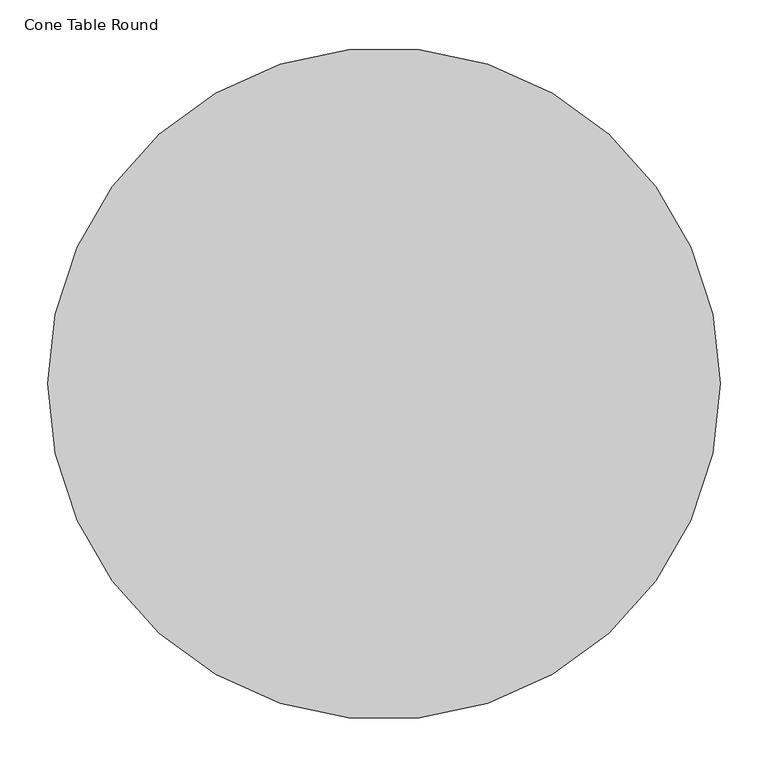
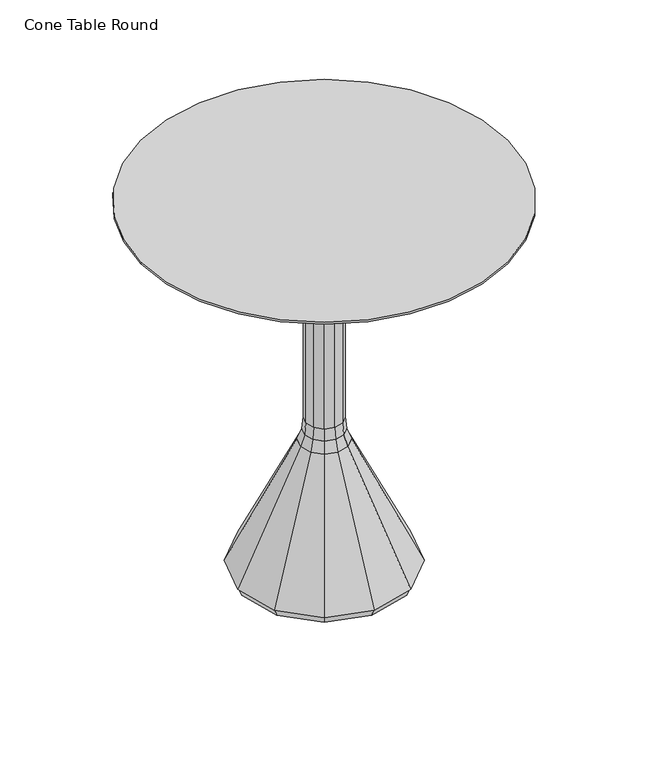
"""IFC4 building model written with IfcOpenShell, lengths in millimetres: furniture geometry, Cone Table Round."""

from ifc_helpers import new_model, si_unit, point, frame, origin, origin_2d, place, context, project, spatial, polyline, circle_curve, ellipse_curve, trimmed, segment, composite_curve, outline, extrude, faceted_brep, source, transform, mapped, element, save
from ifc_brep_helpers import plane_surface, cylinder_surface, revolved_surface, advanced_brep


def cone_table_round_4ada1e5b(model_context):
    return source(origin(), model_context, "Body", "SolidModel", [
        extrude(outline(composite_curve([segment(trimmed(circle_curve(origin_2d(), 350.012), [point((-350.012, 0.0))], [point((350.012, 0.0))], False, "CARTESIAN"), True, "CONTINUOUS"), segment(trimmed(circle_curve(origin_2d(), 350.012), [point((350.012, 0.0))], [point((-350.012, 0.0))], False, "CARTESIAN"), True, "CONTINUOUS")], self_intersect=False)), frame((0.0, 0.0, 736.0012962), z_axis=(0.0, 0.0, 1.0), x_axis=(1.0, 0.0, 0.0)), (0.0, 0.0, 1.0), 3.9999739),
        advanced_brep(
        [(-61.8904654, 0.0, 722.0012787), (-67.8683385, 0.0, 722.0012787), (-61.8904654, 0.0, 710.9578606), (-67.8683385, 0.0, 710.9578606), (-42.1316606, 0.0, 710.9578606), (-48.1095336, 0.0, 710.9578606), (-48.1095336, 0.0, 722.0012787), (-42.1316606, 0.0, 722.0012787)],
        [
            (0, 1, circle_curve(frame((-64.8794019, 0.0, 722.0012787), z_axis=(0.0, 0.0, 1.0), x_axis=(-1.0, 0.0, 0.0)), 2.9889365)),
            (1, 0, circle_curve(frame((-64.8794019, 0.0, 722.0012787), z_axis=(0.0, 0.0, 1.0), x_axis=(-1.0, 0.0, 0.0)), 2.9889365)),
            (0, 2),
            (2, 3, circle_curve(frame((-64.8794019, 0.0, 710.9578606), z_axis=(0.0, 0.0, 1.0), x_axis=(-1.0, 0.0, 0.0)), 2.9889365)),
            (3, 1),
            (3, 2, circle_curve(frame((-64.8794019, 0.0, 710.9578606), z_axis=(0.0, 0.0, 1.0), x_axis=(-1.0, 0.0, 0.0)), 2.9889365)),
            (4, 3, circle_curve(frame((-54.9999995, 0.0, 710.9578606), z_axis=(0.0, 1.0, 0.0), x_axis=(-1.0, 0.0, 0.0)), 12.8683389)),
            (2, 5, circle_curve(frame((-54.9999995, 0.0, 710.9578606), z_axis=(0.0, -1.0, 0.0), x_axis=(-1.0, 0.0, 0.0)), 6.8904659)),
            (5, 4, circle_curve(frame((-45.1205971, 0.0, 710.9578606), z_axis=(0.0, 0.0, -1.0), x_axis=(1.0, 0.0, 0.0)), 2.9889365)),
            (4, 5, circle_curve(frame((-45.1205971, 0.0, 710.9578606), z_axis=(0.0, 0.0, -1.0), x_axis=(1.0, 0.0, 0.0)), 2.9889365)),
            (6, 7, circle_curve(frame((-45.1205971, 0.0, 722.0012787), z_axis=(0.0, 0.0, 1.0), x_axis=(1.0, 0.0, 0.0)), 2.9889365)),
            (7, 6, circle_curve(frame((-45.1205971, 0.0, 722.0012787), z_axis=(0.0, 0.0, 1.0), x_axis=(1.0, 0.0, 0.0)), 2.9889365)),
            (5, 6),
            (7, 4),
        ],
        [
            plane_surface(frame((-64.9999978, 0.0, 722.0012787), z_axis=(0.0, 0.0, 1.0), x_axis=(0.0, -1.0, 0.0))),
            cylinder_surface(frame((-64.8794019, 0.0, 722.0012787), z_axis=(0.0, 0.0, 1.0), x_axis=(-1.0, 0.0, 0.0)), 2.9889365),
            revolved_surface(trimmed(ellipse_curve(frame((-64.8794019, 0.0, 710.9578606), z_axis=(0.0, 0.0, 1.0), x_axis=(-1.0, 0.0, 0.0)), 2.9889365, 2.9889365), [point((-61.8904654, 0.0, 710.9578606))], [point((-67.8683385, 0.0, 710.9578606))], True, "CARTESIAN"), (-54.9999995, 0.0, 710.9578606), (0.0, -1.0, 0.0)),
            revolved_surface(trimmed(ellipse_curve(frame((-64.8794019, 0.0, 710.9578606), z_axis=(0.0, 0.0, 1.0), x_axis=(-1.0, 0.0, 0.0)), 2.9889365, 2.9889365), [point((-67.8683385, 0.0, 710.9578606))], [point((-61.8904654, 0.0, 710.9578606))], True, "CARTESIAN"), (-54.9999995, 0.0, 710.9578606), (0.0, -1.0, 0.0)),
            plane_surface(frame((-45.0000013, 0.0, 722.0012787), z_axis=(0.0, 0.0, 1.0), x_axis=(0.0, -1.0, 0.0))),
            cylinder_surface(frame((-45.1205971, 0.0, 710.9578606), z_axis=(0.0, 0.0, -1.0), x_axis=(1.0, 0.0, 0.0)), 2.9889365),
        ],
        [
            (0, [[1, 2]]),
            (1, [[-1, 3, 4, 5]]),
            (1, [[-2, -5, 6, -3]]),
            (2, [[7, -4, 8, 9]]),
            (3, [[-8, -6, -7, 10]]),
            (4, [[11, 12]]),
            (5, [[-9, 13, -12, 14]]),
            (5, [[-10, -14, -11, -13]]),
        ],
    ),
        extrude(outline(polyline([(-37.5000003, 64.9519058), (0.0, 75.0000005), (37.5000003, 64.9519058), (64.9519058, 37.5000003), (75.0000005, 0.0), (64.9519058, -37.5000003), (37.5000003, -64.9519058), (0.0, -75.0000005), (-37.5000003, -64.9519058), (-64.9519058, -37.5000003), (-75.0000005, 0.0), (-64.9519058, 37.5000003), (-37.5000003, 64.9519058)])), frame((0.0, 0.0, 722.0012787), z_axis=(0.0, 0.0, 1.0), x_axis=(1.0, 0.0, 0.0)), (0.0, 0.0, 1.0), 14.0000175),
        faceted_brep([(-78.8226597, 136.5248514, 0.0), (0.0, 157.6453194, 0.0), (78.8226597, 136.5248514, 0.0), (136.5248514, 78.8226597, 0.0), (157.6453194, 0.0, 0.0), (136.5248514, -78.8226597, 0.0), (78.8226597, -136.5248514, 0.0), (0.0, -157.6453194, 0.0), (-78.8226597, -136.5248514, 0.0), (-136.5248514, -78.8226597, 0.0), (-157.6453194, 0.0, 0.0), (-136.5248514, 78.8226597, 0.0), (-81.5867442, 141.3123862, 14.4209073), (-141.3123862, 81.5867442, 14.4209073), (-163.1734885, 0.0, 14.4209073), (-141.3123862, -81.5867442, 14.4209073), (-81.5867442, -141.3123862, 14.4209073), (0.0, -163.1734885, 14.4209073), (81.5867442, -141.3123862, 14.4209073), (141.3123862, -81.5867442, 14.4209073), (163.1734885, 0.0, 14.4209073), (141.3123862, 81.5867442, 14.4209073), (81.5867442, 141.3123862, 14.4209073), (0.0, 163.1734885, 14.4209073)], [[[0, 1, 2, 3, 4, 5, 6, 7, 8, 9, 10, 11]], [[12, 13, 14, 15, 16, 17, 18, 19, 20, 21, 22, 23]], [[13, 12, 0, 11]], [[14, 13, 11, 10]], [[15, 14, 10, 9]], [[16, 15, 9, 8]], [[17, 16, 8, 7]], [[18, 17, 7, 6]], [[19, 18, 6, 5]], [[20, 19, 5, 4]], [[21, 20, 4, 3]], [[22, 21, 3, 2]], [[23, 22, 2, 1]], [[12, 23, 1, 0]]]),
        extrude(outline(polyline([(17.5000004, 30.3108898), (30.3108898, 17.5000004), (35.0000007, 0.0), (30.3108898, -17.5000004), (17.5000004, -30.3108898), (0.0, -35.0000007), (-17.5000004, -30.3108898), (-30.3108898, -17.5000004), (-35.0000007, 0.0), (-30.3108898, 17.5000004), (-17.5000004, 30.3108898), (0.0, 35.0000007), (17.5000004, 30.3108898)])), frame((0.0, 0.0, 304.2851332), z_axis=(0.0, 0.0, 1.0), x_axis=(1.0, 0.0, 0.0)), (0.0, 0.0, 1.0), 417.7161455),
        faceted_brep([(17.5000004, 30.3108898, 304.2851332), (0.0, 35.0000007, 304.2851332), (-17.5000004, 30.3108898, 304.2851332), (-30.3108898, 17.5000004, 304.2851332), (-35.0000007, 0.0, 304.2851332), (-30.3108898, -17.5000004, 304.2851332), (-17.5000004, -30.3108898, 304.2851332), (0.0, -35.0000007, 304.2851332), (17.5000004, -30.3108898, 304.2851332), (30.3108898, -17.5000004, 304.2851332), (35.0000007, 0.0, 304.2851332), (30.3108898, 17.5000004, 304.2851332), (18.7815003, 32.5305128, 281.7900128), (32.5305128, 18.7815003, 281.7900128), (37.5630006, 0.0, 281.7900128), (32.5305128, -18.7815003, 281.7900128), (18.7815003, -32.5305128, 281.7900128), (0.0, -37.5630006, 281.7900128), (-18.7815003, -32.5305128, 281.7900128), (-32.5305128, -18.7815003, 281.7900128), (-37.5630006, 0.0, 281.7900128), (-32.5305128, 18.7815003, 281.7900128), (-18.7815003, 32.5305128, 281.7900128), (0.0, 37.5630006, 281.7900128)], [[[0, 1, 2, 3, 4, 5, 6, 7, 8, 9, 10, 11]], [[12, 13, 14, 15, 16, 17, 18, 19, 20, 21, 22, 23]], [[12, 23, 1, 0]], [[23, 22, 2, 1]], [[22, 21, 3, 2]], [[21, 20, 4, 3]], [[20, 19, 5, 4]], [[19, 18, 6, 5]], [[18, 17, 7, 6]], [[17, 16, 8, 7]], [[16, 15, 9, 8]], [[15, 14, 10, 9]], [[14, 13, 11, 10]], [[13, 12, 0, 11]]]),
        faceted_brep([(22.5602985, 39.0755833, 260.4480197), (39.0755833, 22.5602985, 260.4480197), (45.1205971, 0.0, 260.4480197), (39.0755833, -22.5602985, 260.4480197), (22.5602985, -39.0755833, 260.4480197), (0.0, -45.1205971, 260.4480197), (-22.5602985, -39.0755833, 260.4480197), (-39.0755833, -22.5602985, 260.4480197), (-45.1205971, 0.0, 260.4480197), (-39.0755833, 22.5602985, 260.4480197), (-22.5602985, 39.0755833, 260.4480197), (0.0, 45.1205971, 260.4480197), (18.7815003, 32.5305128, 281.7900128), (0.0, 37.5630006, 281.7900128), (-18.7815003, 32.5305128, 281.7900128), (-32.5305128, 18.7815003, 281.7900128), (-37.5630006, 0.0, 281.7900128), (-32.5305128, -18.7815003, 281.7900128), (-18.7815003, -32.5305128, 281.7900128), (0.0, -37.5630006, 281.7900128), (18.7815003, -32.5305128, 281.7900128), (32.5305128, -18.7815003, 281.7900128), (37.5630006, 0.0, 281.7900128), (32.5305128, 18.7815003, 281.7900128)], [[[0, 1, 2, 3, 4, 5, 6, 7, 8, 9, 10, 11]], [[12, 13, 14, 15, 16, 17, 18, 19, 20, 21, 22, 23]], [[13, 12, 0, 11]], [[14, 13, 11, 10]], [[15, 14, 10, 9]], [[16, 15, 9, 8]], [[17, 16, 8, 7]], [[18, 17, 7, 6]], [[19, 18, 6, 5]], [[20, 19, 5, 4]], [[21, 20, 4, 3]], [[22, 21, 3, 2]], [[23, 22, 2, 1]], [[12, 23, 1, 0]]]),
        faceted_brep([(22.5602985, 39.0755833, 260.4480197), (0.0, 45.1205971, 260.4480197), (-22.5602985, 39.0755833, 260.4480197), (-39.0755833, 22.5602985, 260.4480197), (-45.1205971, 0.0, 260.4480197), (-39.0755833, -22.5602985, 260.4480197), (-22.5602985, -39.0755833, 260.4480197), (0.0, -45.1205971, 260.4480197), (22.5602985, -39.0755833, 260.4480197), (39.0755833, -22.5602985, 260.4480197), (45.1205971, 0.0, 260.4480197), (39.0755833, 22.5602985, 260.4480197), (82.499997, 142.8941864, 14.6588164), (142.8941864, 82.499997, 14.6588164), (164.999994, 0.0, 14.6588164), (142.8941864, -82.499997, 14.6588164), (82.499997, -142.8941864, 14.6588164), (0.0, -164.999994, 14.6588164), (-82.499997, -142.8941864, 14.6588164), (-142.8941864, -82.499997, 14.6588164), (-164.999994, 0.0, 14.6588164), (-142.8941864, 82.499997, 14.6588164), (-82.499997, 142.8941864, 14.6588164), (0.0, 164.999994, 14.6588164)], [[[0, 1, 2, 3, 4, 5, 6, 7, 8, 9, 10, 11]], [[12, 13, 14, 15, 16, 17, 18, 19, 20, 21, 22, 23]], [[12, 23, 1, 0]], [[23, 22, 2, 1]], [[22, 21, 3, 2]], [[21, 20, 4, 3]], [[20, 19, 5, 4]], [[19, 18, 6, 5]], [[18, 17, 7, 6]], [[17, 16, 8, 7]], [[16, 15, 9, 8]], [[15, 14, 10, 9]], [[14, 13, 11, 10]], [[13, 12, 0, 11]]]),
    ])


if __name__ == "__main__":
    model = new_model("IFC4")
    model_context = context("Model", 3, world=origin())
    ifc_project = project(units=[si_unit("LENGTHUNIT", "METRE", prefix="MILLI")], contexts=[model_context])
    site = spatial("IfcSite", under=ifc_project)
    building = spatial("IfcBuilding", under=site)
    placement = place(None, origin())
    cone_table_round_shape = cone_table_round_4ada1e5b(model_context)
    element("IfcFurniture", 1, ObjectType="Cone Table Round", at=placement, inside=building, context=model_context, shape_type="MappedRepresentation", body=[
        mapped(cone_table_round_shape, transform((0.0, 0.0, 0.0), x_axis=(1.0, 0.0, 0.0), y_axis=(0.0, 1.0, 0.0), z_axis=(0.0, 0.0, 1.0))),
    ])
    save(model, "model.ifc")
